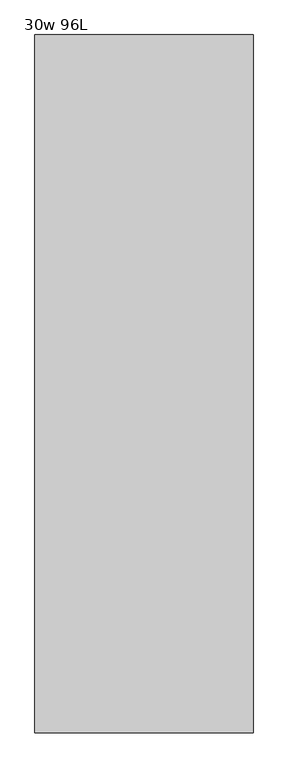
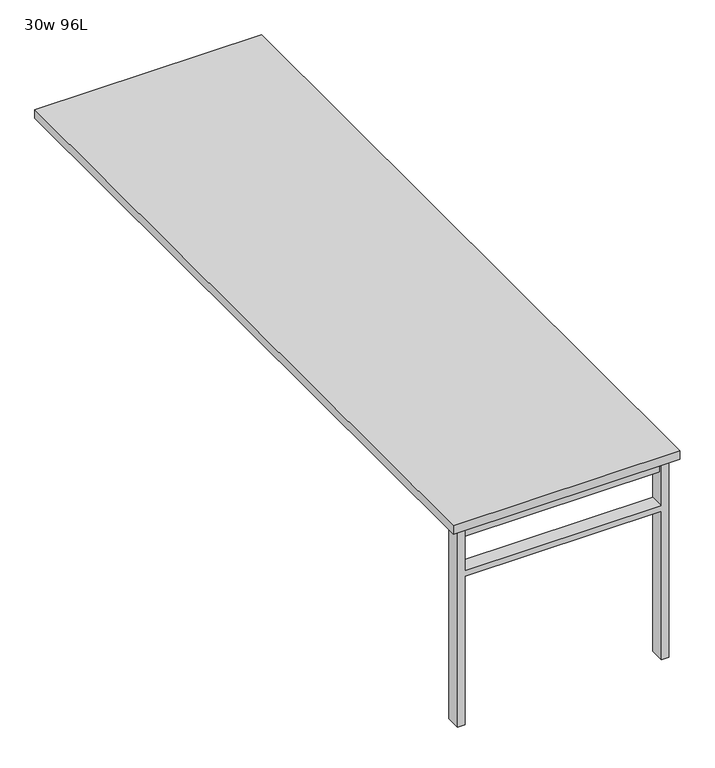
"""IFC4 building model written with IfcOpenShell, lengths in millimetres: furniture geometry, 30w 96L."""

from ifc_helpers import new_model, si_unit, frame, origin, place, context, project, spatial, polyline, outline, extrude, source, transform, mapped, element, save


def furniture_30w_96l_6d5ce7d3(model_context):
    return source(origin(), model_context, "Body", "SweptSolid", [
        extrude(outline(polyline([(-330.2, -1158.875), (330.2, -1158.875), (330.2, -1190.625), (-330.2, -1190.625), (-330.2, -1158.875)])), frame((0.0, 0.0, 661.9875), z_axis=(0.0, 0.0, 1.0), x_axis=(1.0, 0.0, 0.0)), (0.0, 0.0, 1.0), 44.45),
        extrude(outline(polyline([(528.6375, 330.2), (0.0, 330.2), (0.0, 355.6), (706.4375, 355.6), (706.4375, 330.2), (547.6875, 330.2), (547.6875, -330.2), (706.4375, -330.2), (706.4375, -355.6), (0.0, -355.6), (0.0, -330.2), (528.6375, -330.2), (528.6375, 330.2)])), frame((0.0, -1200.15, 0.0), z_axis=(0.0, 1.0, 0.0), x_axis=(0.0, 0.0, 1.0)), (0.0, 0.0, 1.0), 50.8),
        extrude(outline(polyline([(-381.0, -1219.2), (-381.0, 1219.2), (381.0, 1219.2), (381.0, -1219.2), (-381.0, -1219.2)])), frame((0.0, 0.0, 706.4375), z_axis=(0.0, 0.0, 1.0), x_axis=(1.0, 0.0, 0.0)), (0.0, 0.0, 1.0), 30.1625),
    ])


if __name__ == "__main__":
    model = new_model("IFC4")
    model_context = context("Model", 3, world=origin())
    ifc_project = project(units=[si_unit("LENGTHUNIT", "METRE", prefix="MILLI")], contexts=[model_context])
    site = spatial("IfcSite", under=ifc_project)
    building = spatial("IfcBuilding", under=site)
    placement = place(None, origin())
    furniture_30w_96l_shape = furniture_30w_96l_6d5ce7d3(model_context)
    element("IfcFurniture", 1, ObjectType="30w 96L", at=placement, inside=building, context=model_context, shape_type="MappedRepresentation", body=[
        mapped(furniture_30w_96l_shape, transform((0.0, 0.0, 0.0), x_axis=(1.0, 0.0, 0.0), y_axis=(0.0, 1.0, 0.0), z_axis=(0.0, 0.0, 1.0))),
    ])
    save(model, "model.ifc")
